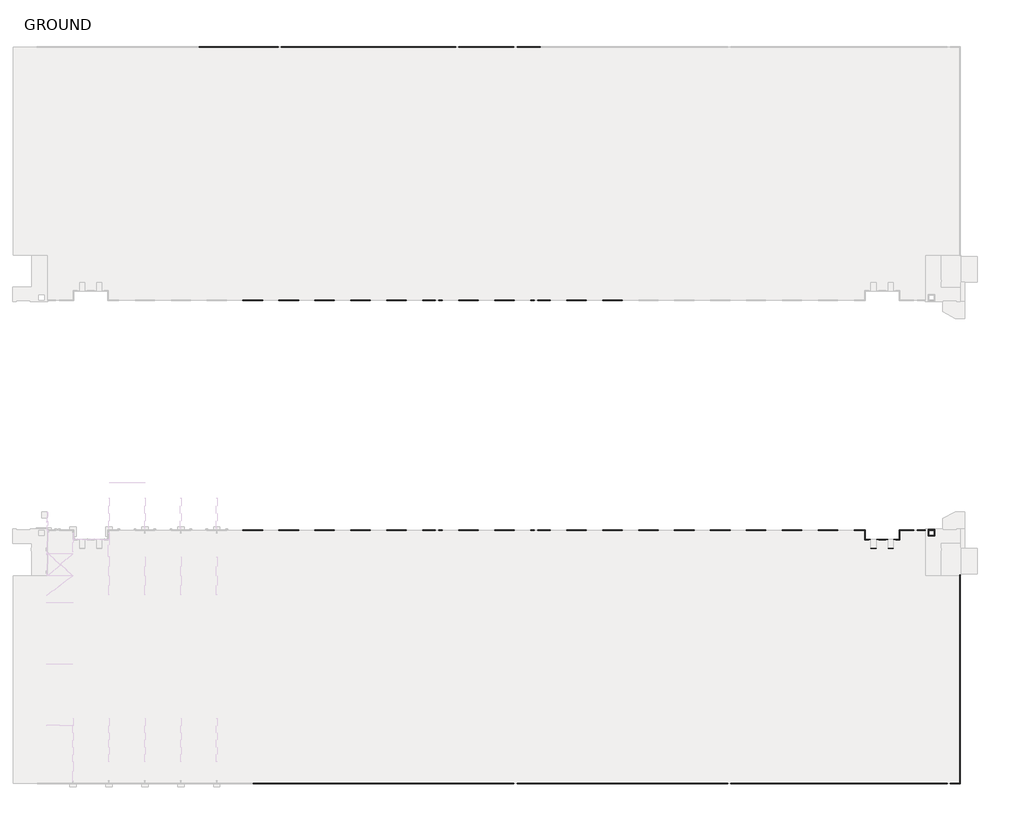
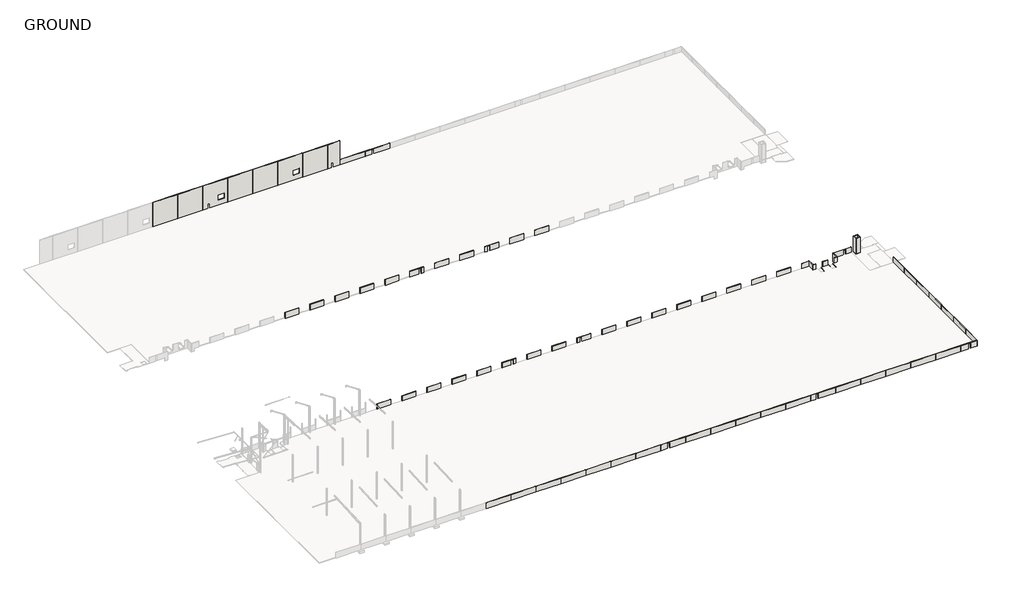
# One storey, part 2 of 56: 84 walls.
"""IFC4 building model written with IfcOpenShell, lengths in millimetres."""

from ifc_helpers import new_model, si_unit, frame, origin, place, context, project, spatial, polyline, outline, extrude, faceted_brep, element, save

model = new_model("IFC4")

# Units and contexts
model_context = context("Model", 3, world=origin())
ifc_project = project(units=[si_unit("LENGTHUNIT", "METRE", prefix="MILLI")], contexts=[model_context])

# Site, building, storey
site = spatial("IfcSite", under=ifc_project)
building = spatial("IfcBuilding", under=site)
storey = spatial("IfcBuildingStorey", under=building, Name="GROUND", Elevation=47100.0)

# Walls
placement = place(None, origin())
element("IfcWall", 1, at=placement, inside=storey, context=model_context, shape_type="Brep", body=[
    faceted_brep([(-50146.5907618, 88019.60101, 46500.0), (-50146.5907618, 85199.60101, 46500.0), (-50146.5907618, 85049.60101, 46500.0), (-50146.5907618, 85049.60101, 46900.0), (-50146.5907618, 85199.60101, 46900.0), (-50146.5907618, 87869.60101, 46900.0), (-50146.5907618, 88019.60101, 46900.0), (-49996.5907618, 88019.60101, 46500.0), (-49996.5907618, 88019.60101, 46900.0), (-49996.5907618, 87869.60101, 46900.0), (-49996.5907618, 85049.60101, 46900.0), (-49996.5907618, 85049.60101, 46500.0)], [[[0, 1, 2, 3, 4, 5, 6]], [[7, 8, 9, 10, 11]], [[0, 6, 8, 7]], [[3, 2, 11, 10]], [[6, 5, 9, 8]], [[5, 4, 3, 10, 9]], [[2, 1, 0, 7, 11]]]),
])
element("IfcWall", 2, at=placement, inside=storey, context=model_context, shape_type="Brep", body=[
    faceted_brep([(-50146.5907618, 85199.60101, 46500.0), (-52056.5907618, 85199.60101, 46500.0), (-52206.5907618, 85199.60101, 46500.0), (-52206.5907618, 85199.60101, 46900.0), (-52056.5907618, 85199.60101, 46900.0), (-50146.5907618, 85199.60101, 46900.0), (-50146.5907618, 85049.60101, 46500.0), (-50146.5907618, 85049.60101, 46900.0), (-52056.5907618, 85049.60101, 46900.0), (-52206.5907618, 85049.60101, 46900.0), (-52206.5907618, 85049.60101, 46500.0)], [[[0, 1, 2, 3, 4, 5]], [[6, 7, 8, 9, 10]], [[0, 5, 7, 6]], [[3, 2, 10, 9]], [[2, 1, 0, 6, 10]], [[5, 4, 8, 7]], [[4, 3, 9, 8]]]),
])
element("IfcWall", 3, at=placement, inside=storey, context=model_context, shape_type="SweptSolid", body=[
    extrude(outline(polyline([(85199.60101, 46500.0), (85199.60101, 46900.0), (87869.60101, 46900.0), (88019.60101, 46900.0), (88019.60101, 46500.0), (85199.60101, 46500.0)])), frame((-52206.5907618, 0.0, 0.0), z_axis=(1.0, 0.0, 0.0), x_axis=(0.0, 1.0, 0.0)), (0.0, 0.0, 1.0), 150.0),
])
element("IfcWall", 4, at=placement, inside=storey, context=model_context, shape_type="Brep", body=[
    faceted_brep([(-55496.5907618, 88019.60101, 46500.0), (-55496.5907618, 85199.60101, 46500.0), (-55496.5907618, 85049.60101, 46500.0), (-55496.5907618, 85049.60101, 46900.0), (-55496.5907618, 85199.60101, 46900.0), (-55496.5907618, 87869.60101, 46900.0), (-55496.5907618, 88019.60101, 46900.0), (-55346.5907618, 88019.60101, 46500.0), (-55346.5907618, 88019.60101, 46900.0), (-55346.5907618, 87869.60101, 46900.0), (-55346.5907618, 85049.60101, 46900.0), (-55346.5907618, 85049.60101, 46500.0)], [[[0, 1, 2, 3, 4, 5, 6]], [[7, 8, 9, 10, 11]], [[0, 6, 8, 7]], [[3, 2, 11, 10]], [[6, 5, 9, 8]], [[5, 4, 3, 10, 9]], [[2, 1, 0, 7, 11]]]),
])
element("IfcWall", 5, at=placement, inside=storey, context=model_context, shape_type="Brep", body=[
    faceted_brep([(-55496.5907618, 85199.60101, 46500.0), (-57406.5907618, 85199.60101, 46500.0), (-57556.5907618, 85199.60101, 46500.0), (-57556.5907618, 85199.60101, 46900.0), (-57406.5907618, 85199.60101, 46900.0), (-55496.5907618, 85199.60101, 46900.0), (-55496.5907618, 85049.60101, 46500.0), (-55496.5907618, 85049.60101, 46900.0), (-57406.5907618, 85049.60101, 46900.0), (-57556.5907618, 85049.60101, 46900.0), (-57556.5907618, 85049.60101, 46500.0)], [[[0, 1, 2, 3, 4, 5]], [[6, 7, 8, 9, 10]], [[0, 5, 7, 6]], [[3, 2, 10, 9]], [[2, 1, 0, 6, 10]], [[5, 4, 8, 7]], [[4, 3, 9, 8]]]),
])
element("IfcWall", 6, at=placement, inside=storey, context=model_context, shape_type="SweptSolid", body=[
    extrude(outline(polyline([(85199.60101, 46500.0), (85199.60101, 46900.0), (87869.60101, 46900.0), (88019.60101, 46900.0), (88019.60101, 46500.0), (85199.60101, 46500.0)])), frame((-57556.5907618, 0.0, 0.0), z_axis=(1.0, 0.0, 0.0), x_axis=(0.0, 1.0, 0.0)), (0.0, 0.0, 1.0), 150.0),
])
element("IfcWall", 7, at=placement, inside=storey, context=model_context, shape_type="Brep", body=[
    faceted_brep([(-39295.9863178, 91069.60101, 45600.0), (-39295.9863178, 89019.60101, 45600.0), (-39295.9863178, 89019.60101, 47100.0), (-39295.9863178, 91069.60101, 47100.0), (-39095.9863178, 91069.60101, 45600.0), (-39095.9863178, 91069.60101, 47100.0), (-39095.9863178, 90869.60101, 47100.0), (-39095.9863178, 89219.60101, 47100.0), (-39095.9863178, 89019.60101, 47100.0), (-39095.9863178, 89019.60101, 45600.0), (-39095.9863178, 89219.60101, 45600.0), (-39095.9863178, 90869.60101, 45600.0)], [[[0, 1, 2, 3]], [[4, 5, 6, 7, 8, 9, 10, 11]], [[3, 2, 8, 7, 6, 5]], [[2, 1, 9, 8]], [[0, 3, 5, 4]], [[1, 0, 4, 11, 10, 9]]]),
])
element("IfcWall", 8, at=placement, inside=storey, context=model_context, shape_type="Brep", body=[
    faceted_brep([(-39095.9863178, 89019.60101, 45600.0), (-37145.9863178, 89019.60101, 45600.0), (-37145.9863178, 89019.60101, 47100.0), (-39095.9863178, 89019.60101, 47100.0), (-39095.9863178, 89219.60101, 45600.0), (-39095.9863178, 89219.60101, 47100.0), (-37345.9863178, 89219.60101, 47100.0), (-37145.9863178, 89219.60101, 47100.0), (-37145.9863178, 89219.60101, 45600.0), (-37345.9863178, 89219.60101, 45600.0)], [[[0, 1, 2, 3]], [[4, 5, 6, 7, 8, 9]], [[3, 2, 7, 6, 5]], [[0, 3, 5, 4]], [[2, 1, 8, 7]], [[1, 0, 4, 9, 8]]]),
])
element("IfcWall", 9, at=placement, inside=storey, context=model_context, shape_type="Brep", body=[
    faceted_brep([(-37145.9863178, 89219.60101, 45600.0), (-37145.9863178, 91069.60101, 45600.0), (-37145.9863178, 91069.60101, 47100.0), (-37145.9863178, 89219.60101, 47100.0), (-37345.9863178, 89219.60101, 45600.0), (-37345.9863178, 89219.60101, 47100.0), (-37345.9863178, 90869.60101, 47100.0), (-37345.9863178, 91069.60101, 47100.0), (-37345.9863178, 91069.60101, 45600.0), (-37345.9863178, 90869.60101, 45600.0)], [[[0, 1, 2, 3]], [[4, 5, 6, 7, 8, 9]], [[3, 2, 7, 6, 5]], [[0, 3, 5, 4]], [[2, 1, 8, 7]], [[1, 0, 4, 9, 8]]]),
])
element("IfcWall", 10, at=placement, inside=storey, context=model_context, shape_type="SweptSolid", body=[
    extrude(outline(polyline([(-39095.9863178, 91069.60101), (-37345.9863178, 91069.60101), (-37345.9863178, 90869.60101), (-39095.9863178, 90869.60101), (-39095.9863178, 91069.60101)])), frame((0.0, 0.0, 45600.0), z_axis=(0.0, 0.0, 1.0), x_axis=(1.0, 0.0, 0.0)), (0.0, 0.0, 1.0), 1500.0),
])
element("IfcWall", 11, at=placement, inside=storey, context=model_context, shape_type="Brep", body=[
    faceted_brep([(-39295.9863178, 91069.60101, 47100.0), (-39295.9863178, 89019.60101, 47100.0), (-39295.9863178, 89019.60101, 54410.0), (-39295.9863178, 91069.60101, 54410.0), (-39095.9863178, 91069.60101, 47100.0), (-39095.9863178, 91069.60101, 54410.0), (-39095.9863178, 90869.60101, 54410.0), (-39095.9863178, 89219.60101, 54410.0), (-39095.9863178, 89019.60101, 54410.0), (-39095.9863178, 89019.60101, 47100.0), (-39095.9863178, 89219.60101, 47100.0), (-39095.9863178, 90869.60101, 47100.0)], [[[0, 1, 2, 3]], [[4, 5, 6, 7, 8, 9, 10, 11]], [[1, 0, 4, 11, 10, 9]], [[2, 1, 9, 8]], [[0, 3, 5, 4]], [[3, 2, 8, 7, 6, 5]]]),
])
element("IfcWall", 12, at=placement, inside=storey, context=model_context, shape_type="Brep", body=[
    faceted_brep([(-39095.9863178, 89019.60101, 47100.0), (-37145.9863178, 89019.60101, 47100.0), (-37145.9863178, 89019.60101, 54410.0), (-39095.9863178, 89019.60101, 54410.0), (-39095.9863178, 89219.60101, 47100.0), (-39095.9863178, 89219.60101, 54410.0), (-37345.9863178, 89219.60101, 54410.0), (-37145.9863178, 89219.60101, 54410.0), (-37145.9863178, 89219.60101, 47100.0), (-37345.9863178, 89219.60101, 47100.0)], [[[0, 1, 2, 3]], [[4, 5, 6, 7, 8, 9]], [[1, 0, 4, 9, 8]], [[2, 1, 8, 7]], [[0, 3, 5, 4]], [[3, 2, 7, 6, 5]]]),
])
element("IfcWall", 13, at=placement, inside=storey, context=model_context, shape_type="Brep", body=[
    faceted_brep([(-37145.9863178, 89219.60101, 47100.0), (-37145.9863178, 91069.60101, 47100.0), (-37145.9863178, 91069.60101, 50400.0), (-37145.9863178, 91069.60101, 50600.0), (-37145.9863178, 91069.60101, 54410.0), (-37145.9863178, 89219.60101, 54410.0), (-37345.9863178, 89219.60101, 47100.0), (-37345.9863178, 89219.60101, 54410.0), (-37345.9863178, 90869.60101, 54410.0), (-37345.9863178, 91069.60101, 54410.0), (-37345.9863178, 91069.60101, 47100.0), (-37345.9863178, 90869.60101, 47100.0)], [[[0, 1, 2, 3, 4, 5]], [[6, 7, 8, 9, 10, 11]], [[1, 0, 6, 11, 10]], [[4, 3, 2, 1, 10, 9]], [[0, 5, 7, 6]], [[5, 4, 9, 8, 7]]]),
])
element("IfcWall", 14, at=placement, inside=storey, context=model_context, shape_type="SweptSolid", body=[
    extrude(outline(polyline([(-39095.9863178, 91069.60101), (-37345.9863178, 91069.60101), (-37345.9863178, 90869.60101), (-39095.9863178, 90869.60101), (-39095.9863178, 91069.60101)])), frame((0.0, 0.0, 47100.0), z_axis=(0.0, 0.0, 1.0), x_axis=(1.0, 0.0, 0.0)), (0.0, 0.0, 1.0), 7310.0),
])
element("IfcWall", 15, ObjectType="PW1 - Precast 150", at=placement, inside=storey, context=model_context, shape_type="Brep", body=[
    faceted_brep([(-29336.5907618, 76754.60101, 46800.0), (-29336.5907618, 76679.60101, 46800.0), (-29336.5907618, 68120.0, 46800.0), (-29336.5907618, 68120.0, 49500.0), (-29336.5907618, 76754.60101, 49500.0), (-29336.5907618, 76754.60101, 47000.0), (-29186.5907618, 76754.60101, 46800.0), (-29186.5907618, 76754.60101, 47000.0), (-29186.5907618, 76754.60101, 49500.0), (-29186.5907618, 68120.0, 49500.0), (-29186.5907618, 68120.0, 46800.0), (-29186.5907618, 76679.60101, 46800.0), (-29325.9863178, 76754.60101, 46800.0)], [[[0, 1, 2, 3, 4, 5]], [[6, 7, 8, 9, 10, 11]], [[2, 1, 0, 12, 6, 11, 10]], [[3, 2, 10, 9]], [[4, 3, 9, 8]], [[0, 5, 4, 8, 7, 6, 12]]]),
])
element("IfcWall", 16, ObjectType="PW1 - Precast 150", at=placement, inside=storey, context=model_context, shape_type="Brep", body=[
    faceted_brep([(-59276.5907618, 90869.60101, 45550.0), (-59276.5907618, 87869.60101, 45550.0), (-59276.5907618, 87869.60101, 49500.0), (-59276.5907618, 90869.60101, 49500.0), (-59126.5907618, 90869.60101, 45550.0), (-59126.5907618, 90869.60101, 49500.0), (-59126.5907618, 88019.60101, 49500.0), (-59126.5907618, 87869.60101, 49500.0), (-59126.5907618, 87869.60101, 45550.0), (-59126.5907618, 88019.60101, 45550.0)], [[[0, 1, 2, 3]], [[4, 5, 6, 7, 8, 9]], [[1, 0, 4, 9, 8]], [[3, 2, 7, 6, 5]], [[2, 1, 8, 7]], [[0, 3, 5, 4]]]),
])
element("IfcWall", 17, ObjectType="PW1 - Precast 150", at=placement, inside=storey, context=model_context, shape_type="Brep", body=[
    faceted_brep([(-48276.5907618, 88019.60101, 45550.0), (-48276.5907618, 90869.60101, 45550.0), (-48276.5907618, 91019.60101, 45550.0), (-48276.5907618, 91019.60101, 49500.0), (-48276.5907618, 90869.60101, 49500.0), (-48276.5907618, 88019.60101, 49500.0), (-48426.5907618, 88019.60101, 45550.0), (-48426.5907618, 88019.60101, 49500.0), (-48426.5907618, 91019.60101, 49500.0), (-48426.5907618, 91019.60101, 45550.0)], [[[0, 1, 2, 3, 4, 5]], [[6, 7, 8, 9]], [[2, 1, 0, 6, 9]], [[5, 4, 3, 8, 7]], [[3, 2, 9, 8]], [[0, 5, 7, 6]]]),
])
element("IfcWall", 18, ObjectType="PW1 - Precast 150", at=placement, inside=storey, context=model_context, shape_type="SweptSolid", body=[
    extrude(outline(polyline([(-183726.2885398, 242920.0), (-172426.2885398, 242920.0), (-172426.2885398, 242770.0), (-183726.2885398, 242770.0), (-183726.2885398, 242920.0)])), frame((0.0, 0.0, 46800.0), z_axis=(0.0, 0.0, 1.0), x_axis=(1.0, 0.0, 0.0)), (0.0, 0.0, 1.0), 2700.0),
])
element("IfcWall", 19, ObjectType="PW1 - Precast 150", at=placement, inside=storey, context=model_context, shape_type="SweptSolid", body=[
    extrude(outline(polyline([(-251526.2885398, 11269.60101), (-240246.2885398, 11269.60101), (-240246.2885398, 11119.60101), (-251526.2885398, 11119.60101), (-251526.2885398, 11269.60101)])), frame((0.0, 0.0, 46800.0), z_axis=(0.0, 0.0, 1.0), x_axis=(1.0, 0.0, 0.0)), (0.0, 0.0, 1.0), 2700.0),
])
element("IfcWall", 20, ObjectType="PW1 - Precast 150", at=placement, inside=storey, context=model_context, shape_type="SweptSolid", body=[
    extrude(outline(polyline([(-240226.2885398, 11269.60101), (-228946.2885398, 11269.60101), (-228946.2885398, 11119.60101), (-240226.2885398, 11119.60101), (-240226.2885398, 11269.60101)])), frame((0.0, 0.0, 46800.0), z_axis=(0.0, 0.0, 1.0), x_axis=(1.0, 0.0, 0.0)), (0.0, 0.0, 1.0), 2700.0),
])
element("IfcWall", 21, ObjectType="PW1 - Precast 150", at=placement, inside=storey, context=model_context, shape_type="SweptSolid", body=[
    extrude(outline(polyline([(-228926.2885398, 11269.60101), (-217646.2885398, 11269.60101), (-217646.2885398, 11119.60101), (-228926.2885398, 11119.60101), (-228926.2885398, 11269.60101)])), frame((0.0, 0.0, 46800.0), z_axis=(0.0, 0.0, 1.0), x_axis=(1.0, 0.0, 0.0)), (0.0, 0.0, 1.0), 2700.0),
])
element("IfcWall", 22, ObjectType="PW1 - Precast 150", at=placement, inside=storey, context=model_context, shape_type="SweptSolid", body=[
    extrude(outline(polyline([(-217626.2885398, 11269.60101), (-206326.2885398, 11269.60101), (-206326.2885398, 11119.60101), (-217626.2885398, 11119.60101), (-217626.2885398, 11269.60101)])), frame((0.0, 0.0, 46800.0), z_axis=(0.0, 0.0, 1.0), x_axis=(1.0, 0.0, 0.0)), (0.0, 0.0, 1.0), 2700.0),
])
element("IfcWall", 23, ObjectType="PW1 - Precast 150", at=placement, inside=storey, context=model_context, shape_type="SweptSolid", body=[
    extrude(outline(polyline([(-195006.2885398, 11269.60101), (-183746.2885398, 11269.60101), (-183746.2885398, 11119.60101), (-195006.2885398, 11119.60101), (-195006.2885398, 11269.60101)])), frame((0.0, 0.0, 46800.0), z_axis=(0.0, 0.0, 1.0), x_axis=(1.0, 0.0, 0.0)), (0.0, 0.0, 1.0), 2700.0),
])
element("IfcWall", 24, ObjectType="PW1 - Precast 150", at=placement, inside=storey, context=model_context, shape_type="SweptSolid", body=[
    extrude(outline(polyline([(-183726.2885398, 11269.60101), (-172446.2885398, 11269.60101), (-172446.2885398, 11119.60101), (-183726.2885398, 11119.60101), (-183726.2885398, 11269.60101)])), frame((0.0, 0.0, 46800.0), z_axis=(0.0, 0.0, 1.0), x_axis=(1.0, 0.0, 0.0)), (0.0, 0.0, 1.0), 2700.0),
])
element("IfcWall", 25, ObjectType="PW1 - Precast 150", at=placement, inside=storey, context=model_context, shape_type="SweptSolid", body=[
    extrude(outline(polyline([(-161126.2885398, 11269.60101), (-149846.2885398, 11269.60101), (-149846.2885398, 11119.60101), (-161126.2885398, 11119.60101), (-161126.2885398, 11269.60101)])), frame((0.0, 0.0, 46800.0), z_axis=(0.0, 0.0, 1.0), x_axis=(1.0, 0.0, 0.0)), (0.0, 0.0, 1.0), 2700.0),
])
element("IfcWall", 26, ObjectType="PW1 - Precast 150", at=placement, inside=storey, context=model_context, shape_type="SweptSolid", body=[
    extrude(outline(polyline([(-149826.2885398, 11269.60101), (-138546.2885398, 11269.60101), (-138546.2885398, 11119.60101), (-149826.2885398, 11119.60101), (-149826.2885398, 11269.60101)])), frame((0.0, 0.0, 46800.0), z_axis=(0.0, 0.0, 1.0), x_axis=(1.0, 0.0, 0.0)), (0.0, 0.0, 1.0), 2700.0),
])
element("IfcWall", 27, ObjectType="PW1 - Precast 150", at=placement, inside=storey, context=model_context, shape_type="SweptSolid", body=[
    extrude(outline(polyline([(-138526.2885398, 11269.60101), (-127246.2885398, 11269.60101), (-127246.2885398, 11119.60101), (-138526.2885398, 11119.60101), (-138526.2885398, 11269.60101)])), frame((0.0, 0.0, 46800.0), z_axis=(0.0, 0.0, 1.0), x_axis=(1.0, 0.0, 0.0)), (0.0, 0.0, 1.0), 2700.0),
])
element("IfcWall", 28, ObjectType="PW1 - Precast 150", at=placement, inside=storey, context=model_context, shape_type="SweptSolid", body=[
    extrude(outline(polyline([(-127226.2885398, 11269.60101), (-115946.2885398, 11269.60101), (-115946.2885398, 11119.60101), (-127226.2885398, 11119.60101), (-127226.2885398, 11269.60101)])), frame((0.0, 0.0, 46800.0), z_axis=(0.0, 0.0, 1.0), x_axis=(1.0, 0.0, 0.0)), (0.0, 0.0, 1.0), 2700.0),
])
element("IfcWall", 29, ObjectType="PW1 - Precast 150", at=placement, inside=storey, context=model_context, shape_type="SweptSolid", body=[
    extrude(outline(polyline([(-115926.2885398, 11269.60101), (-104646.2885398, 11269.60101), (-104646.2885398, 11119.60101), (-115926.2885398, 11119.60101), (-115926.2885398, 11269.60101)])), frame((0.0, 0.0, 46800.0), z_axis=(0.0, 0.0, 1.0), x_axis=(1.0, 0.0, 0.0)), (0.0, 0.0, 1.0), 2700.0),
])
element("IfcWall", 30, ObjectType="PW1 - Precast 150", at=placement, inside=storey, context=model_context, shape_type="SweptSolid", body=[
    extrude(outline(polyline([(-93326.2885398, 11269.60101), (-82046.2885398, 11269.60101), (-82046.2885398, 11119.60101), (-93326.2885398, 11119.60101), (-93326.2885398, 11269.60101)])), frame((0.0, 0.0, 46800.0), z_axis=(0.0, 0.0, 1.0), x_axis=(1.0, 0.0, 0.0)), (0.0, 0.0, 1.0), 2700.0),
])
element("IfcWall", 31, ObjectType="PW1 - Precast 150", at=placement, inside=storey, context=model_context, shape_type="SweptSolid", body=[
    extrude(outline(polyline([(-82026.2885398, 11269.60101), (-70746.2885398, 11269.60101), (-70746.2885398, 11119.60101), (-82026.2885398, 11119.60101), (-82026.2885398, 11269.60101)])), frame((0.0, 0.0, 46800.0), z_axis=(0.0, 0.0, 1.0), x_axis=(1.0, 0.0, 0.0)), (0.0, 0.0, 1.0), 2700.0),
])
element("IfcWall", 32, ObjectType="PW1 - Precast 150", at=placement, inside=storey, context=model_context, shape_type="SweptSolid", body=[
    extrude(outline(polyline([(-70726.2885398, 11269.60101), (-59446.2885398, 11269.60101), (-59446.2885398, 11119.60101), (-70726.2885398, 11119.60101), (-70726.2885398, 11269.60101)])), frame((0.0, 0.0, 46800.0), z_axis=(0.0, 0.0, 1.0), x_axis=(1.0, 0.0, 0.0)), (0.0, 0.0, 1.0), 2700.0),
])
element("IfcWall", 33, ObjectType="PW1 - Precast 150", at=placement, inside=storey, context=model_context, shape_type="SweptSolid", body=[
    extrude(outline(polyline([(-59426.2885398, 11269.60101), (-48146.2885398, 11269.60101), (-48146.2885398, 11119.60101), (-59426.2885398, 11119.60101), (-59426.2885398, 11269.60101)])), frame((0.0, 0.0, 46800.0), z_axis=(0.0, 0.0, 1.0), x_axis=(1.0, 0.0, 0.0)), (0.0, 0.0, 1.0), 2700.0),
])
element("IfcWall", 34, ObjectType="PW1 - Precast 150", at=placement, inside=storey, context=model_context, shape_type="SweptSolid", body=[
    extrude(outline(polyline([(-48126.2885398, 11269.60101), (-36826.2885398, 11269.60101), (-36826.2885398, 11119.60101), (-48126.2885398, 11119.60101), (-48126.2885398, 11269.60101)])), frame((0.0, 0.0, 46800.0), z_axis=(0.0, 0.0, 1.0), x_axis=(1.0, 0.0, 0.0)), (0.0, 0.0, 1.0), 2700.0),
])
element("IfcWall", 35, ObjectType="PW1 - Precast 150", at=placement, inside=storey, context=model_context, shape_type="SweptSolid", body=[
    extrude(outline(polyline([(-206306.2885398, 11269.60101), (-195026.2885398, 11269.60101), (-195026.2885398, 11119.60101), (-206306.2885398, 11119.60101), (-206306.2885398, 11269.60101)])), frame((0.0, 0.0, 46800.0), z_axis=(0.0, 0.0, 1.0), x_axis=(1.0, 0.0, 0.0)), (0.0, 0.0, 1.0), 2700.0),
])
element("IfcWall", 36, ObjectType="PW1 - Precast 150", at=placement, inside=storey, context=model_context, shape_type="Brep", body=[
    faceted_brep([(-29336.5907618, 19830.0, 46800.0), (-29336.5907618, 11269.60101, 46800.0), (-29336.5907618, 11119.60101, 46800.0), (-29336.5907618, 11119.60101, 49500.0), (-29336.5907618, 11269.60101, 49500.0), (-29336.5907618, 19830.0, 49500.0), (-29186.5907618, 19830.0, 46800.0), (-29186.5907618, 19830.0, 49500.0), (-29186.5907618, 11119.60101, 49500.0), (-29186.5907618, 11119.60101, 46800.0)], [[[0, 1, 2, 3, 4, 5]], [[6, 7, 8, 9]], [[2, 1, 0, 6, 9]], [[5, 4, 3, 8, 7]], [[0, 5, 7, 6]], [[3, 2, 9, 8]]]),
])
element("IfcWall", 37, ObjectType="PW1 - Precast 150", at=placement, inside=storey, context=model_context, shape_type="SweptSolid", body=[
    extrude(outline(polyline([(-29336.5907618, 19850.0), (-29336.5907618, 29480.0), (-29186.5907618, 29480.0), (-29186.5907618, 19850.0), (-29336.5907618, 19850.0)])), frame((0.0, 0.0, 46800.0), z_axis=(0.0, 0.0, 1.0), x_axis=(1.0, 0.0, 0.0)), (0.0, 0.0, 1.0), 2700.0),
])
element("IfcWall", 38, ObjectType="PW1 - Precast 150", at=placement, inside=storey, context=model_context, shape_type="SweptSolid", body=[
    extrude(outline(polyline([(-29336.5907618, 29500.0), (-29336.5907618, 39130.0), (-29186.5907618, 39130.0), (-29186.5907618, 29500.0), (-29336.5907618, 29500.0)])), frame((0.0, 0.0, 46800.0), z_axis=(0.0, 0.0, 1.0), x_axis=(1.0, 0.0, 0.0)), (0.0, 0.0, 1.0), 2700.0),
])
element("IfcWall", 39, ObjectType="PW1 - Precast 150", at=placement, inside=storey, context=model_context, shape_type="SweptSolid", body=[
    extrude(outline(polyline([(-29336.5907618, 39150.0), (-29336.5907618, 48780.0), (-29186.5907618, 48780.0), (-29186.5907618, 39150.0), (-29336.5907618, 39150.0)])), frame((0.0, 0.0, 46800.0), z_axis=(0.0, 0.0, 1.0), x_axis=(1.0, 0.0, 0.0)), (0.0, 0.0, 1.0), 2700.0),
])
element("IfcWall", 40, ObjectType="PW1 - Precast 150", at=placement, inside=storey, context=model_context, shape_type="SweptSolid", body=[
    extrude(outline(polyline([(-29336.5907618, 48800.0), (-29336.5907618, 58430.0), (-29186.5907618, 58430.0), (-29186.5907618, 48800.0), (-29336.5907618, 48800.0)])), frame((0.0, 0.0, 46800.0), z_axis=(0.0, 0.0, 1.0), x_axis=(1.0, 0.0, 0.0)), (0.0, 0.0, 1.0), 2700.0),
])
element("IfcWall", 41, ObjectType="PW1 - Precast 150", at=placement, inside=storey, context=model_context, shape_type="SweptSolid", body=[
    extrude(outline(polyline([(-29336.5907618, 58450.0), (-29336.5907618, 68100.0), (-29186.5907618, 68100.0), (-29186.5907618, 58450.0), (-29336.5907618, 58450.0)])), frame((0.0, 0.0, 46800.0), z_axis=(0.0, 0.0, 1.0), x_axis=(1.0, 0.0, 0.0)), (0.0, 0.0, 1.0), 2700.0),
])
element("IfcWall", 42, ObjectType="PW11 - Precast 180", at=placement, inside=storey, context=model_context, shape_type="SweptSolid", body=[
    extrude(outline(polyline([(-268466.2885398, 242950.0), (-257186.2885398, 242950.0), (-257186.2885398, 242770.0), (-268466.2885398, 242770.0), (-268466.2885398, 242950.0)])), frame((0.0, 0.0, 46800.0), z_axis=(0.0, 0.0, 1.0), x_axis=(1.0, 0.0, 0.0)), (0.0, 0.0, 1.0), 11787.494903),
])
element("IfcWall", 43, ObjectType="PW11 - Precast 180", at=placement, inside=storey, context=model_context, shape_type="SweptSolid", body=[
    extrude(outline(polyline([(-257166.2885398, 242950.0), (-245886.2885398, 242950.0), (-245886.2885398, 242770.0), (-257166.2885398, 242770.0), (-257166.2885398, 242950.0)])), frame((0.0, 0.0, 46800.0), z_axis=(0.0, 0.0, 1.0), x_axis=(1.0, 0.0, 0.0)), (0.0, 0.0, 1.0), 11787.494903),
])
element("IfcWall", 44, ObjectType="PW11 - Precast 180", at=placement, inside=storey, context=model_context, shape_type="SweptSolid", body=[
    extrude(outline(polyline([(-234566.2885398, 242950.0), (-223286.2885398, 242950.0), (-223286.2885398, 242770.0), (-234566.2885398, 242770.0), (-234566.2885398, 242950.0)])), frame((0.0, 0.0, 46800.0), z_axis=(0.0, 0.0, 1.0), x_axis=(1.0, 0.0, 0.0)), (0.0, 0.0, 1.0), 11787.494903),
])
element("IfcWall", 45, ObjectType="PW11 - Precast 180", at=placement, inside=storey, context=model_context, shape_type="SweptSolid", body=[
    extrude(outline(polyline([(-223266.2885398, 242950.0), (-211986.2885398, 242950.0), (-211986.2885398, 242770.0), (-223266.2885398, 242770.0), (-223266.2885398, 242950.0)])), frame((0.0, 0.0, 46800.0), z_axis=(0.0, 0.0, 1.0), x_axis=(1.0, 0.0, 0.0)), (0.0, 0.0, 1.0), 11787.494903),
])
element("IfcWall", 46, ObjectType="PW11 - Precast 180", at=placement, inside=storey, context=model_context, shape_type="SweptSolid", body=[
    extrude(outline(polyline([(-200666.2885398, 242950.0), (-189386.2885398, 242950.0), (-189386.2885398, 242770.0), (-200666.2885398, 242770.0), (-200666.2885398, 242950.0)])), frame((0.0, 0.0, 46800.0), z_axis=(0.0, 0.0, 1.0), x_axis=(1.0, 0.0, 0.0)), (0.0, 0.0, 1.0), 11787.494903),
])
element("IfcWall", 47, ObjectType="PW12 - Precast 180", at=placement, inside=storey, context=model_context, shape_type="Brep", body=[
    faceted_brep([(-183726.2885398, 242950.0, 46800.0), (-186716.5907618, 242950.0, 46800.0), (-186716.5907618, 242950.0, 49210.0), (-187736.5907618, 242950.0, 49210.0), (-187736.5907618, 242950.0, 46800.0), (-189366.2885398, 242950.0, 46800.0), (-189366.2885398, 242950.0, 58587.494903), (-183726.2885398, 242950.0, 58587.494903), (-183726.2885398, 242770.0, 46800.0), (-183726.2885398, 242770.0, 49500.0), (-183726.2885398, 242770.0, 58587.494903), (-189366.2885398, 242770.0, 58587.494903), (-189366.2885398, 242770.0, 46800.0), (-187736.5907618, 242770.0, 46800.0), (-187736.5907618, 242770.0, 49210.0), (-186716.5907618, 242770.0, 49210.0), (-186716.5907618, 242770.0, 46800.0), (-183726.2885398, 242920.0, 46800.0)], [[[0, 1, 2, 3, 4, 5, 6, 7]], [[8, 9, 10, 11, 12, 13, 14, 15, 16]], [[1, 0, 17, 8, 16]], [[2, 1, 16, 15]], [[3, 2, 15, 14]], [[4, 3, 14, 13]], [[5, 4, 13, 12]], [[6, 5, 12, 11]], [[7, 6, 11, 10]], [[0, 7, 10, 9, 8, 17]]]),
])
element("IfcWall", 48, ObjectType="PW12 - Precast 180", at=placement, inside=storey, context=model_context, shape_type="SweptSolid", body=[
    extrude(outline(polyline([(49210.0, -242566.5907618), (46800.0, -242566.5907618), (46800.0, -234586.2885398), (58587.494903, -234586.2885398), (58587.494903, -245866.2885398), (46800.0, -245866.2885398), (46800.0, -243586.5907618), (49210.0, -243586.5907618), (49210.0, -242566.5907618)]), holes=[polyline([(51800.0, -238751.5907618), (51800.0, -236051.5907618), (49499.9098461, -236051.5907618), (49499.9098461, -238751.5907618), (51800.0, -238751.5907618)])]), frame((0.0, 242770.0, 0.0), z_axis=(0.0, 1.0, 0.0), x_axis=(0.0, 0.0, 1.0)), (0.0, 0.0, 1.0), 180.0),
])
element("IfcWall", 49, ObjectType="PW13 - Precast 180", at=placement, inside=storey, context=model_context, shape_type="SweptSolid", body=[
    extrude(outline(polyline([(58587.494903, -200686.2885398), (58587.494903, -211966.2885398), (46800.0, -211966.2885398), (46800.0, -200686.2885398), (58587.494903, -200686.2885398)]), holes=[polyline([(51800.0, -204851.5907618), (51800.0, -202151.5907618), (49499.9098461, -202151.5907618), (49499.9098461, -204851.5907618), (51800.0, -204851.5907618)])]), frame((0.0, 242770.0, 0.0), z_axis=(0.0, 1.0, 0.0), x_axis=(0.0, 0.0, 1.0)), (0.0, 0.0, 1.0), 180.0),
])
element("IfcWall", 50, ObjectType="PW2 - Precast 150", at=placement, inside=storey, context=model_context, shape_type="SweptSolid", body=[
    extrude(outline(polyline([(46800.0, -29336.5907618), (49500.0, -29336.5907618), (49500.0, -36806.2885398), (46800.0, -36806.2885398), (46800.0, -33346.5907618), (49210.0, -33346.5907618), (49210.0, -32326.5907618), (46800.0, -32326.5907618), (46800.0, -29336.5907618)])), frame((0.0, 11119.60101, 0.0), z_axis=(0.0, 1.0, 0.0), x_axis=(0.0, 0.0, 1.0)), (0.0, 0.0, 1.0), 150.0),
])
element("IfcWall", 51, ObjectType="PW2 - Precast 150", at=placement, inside=storey, context=model_context, shape_type="SweptSolid", body=[
    extrude(outline(polyline([(49210.0, -168416.5907618), (46800.0, -168416.5907618), (46800.0, -161126.2885398), (49500.0, -161126.2885398), (49500.0, -172406.2885398), (46800.0, -172406.2885398), (46800.0, -169436.5907618), (49210.0, -169436.5907618), (49210.0, -168416.5907618)])), frame((0.0, 242770.0, 0.0), z_axis=(0.0, 1.0, 0.0), x_axis=(0.0, 0.0, 1.0)), (0.0, 0.0, 1.0), 150.0),
])
element("IfcWall", 52, ObjectType="PW2 - Precast 150", at=placement, inside=storey, context=model_context, shape_type="SweptSolid", body=[
    extrude(outline(polyline([(49210.0, -168416.5907618), (46800.0, -168416.5907618), (46800.0, -161146.2885398), (49500.0, -161146.2885398), (49500.0, -172426.2885398), (46800.0, -172426.2885398), (46800.0, -169436.5907618), (49210.0, -169436.5907618), (49210.0, -168416.5907618)])), frame((0.0, 11119.60101, 0.0), z_axis=(0.0, 1.0, 0.0), x_axis=(0.0, 0.0, 1.0)), (0.0, 0.0, 1.0), 150.0),
])
element("IfcWall", 53, ObjectType="PW2 - Precast 150", at=placement, inside=storey, context=model_context, shape_type="SweptSolid", body=[
    extrude(outline(polyline([(49210.0, -101266.5907618), (46800.0, -101266.5907618), (46800.0, -93346.2885398), (49500.0, -93346.2885398), (49500.0, -104626.2885398), (46800.0, -104626.2885398), (46800.0, -102286.5907618), (49210.0, -102286.5907618), (49210.0, -101266.5907618)])), frame((0.0, 11119.60101, 0.0), z_axis=(0.0, 1.0, 0.0), x_axis=(0.0, 0.0, 1.0)), (0.0, 0.0, 1.0), 150.0),
])
element("IfcWall", 54, ObjectType="PW3 - Precast 150", at=placement, inside=storey, context=model_context, shape_type="SweptSolid", body=[
    extrude(outline(polyline([(-248445.590781, 163020.0), (-254607.5907618, 163020.0), (-254607.5907618, 163170.0), (-248445.590781, 163170.0), (-248445.590781, 163020.0)])), frame((0.0, 0.0, 46800.0), z_axis=(0.0, 0.0, 1.0), x_axis=(1.0, 0.0, 0.0)), (0.0, 0.0, 1.0), 2700.0),
])
element("IfcWall", 55, ObjectType="PW3 - Precast 150", at=placement, inside=storey, context=model_context, shape_type="SweptSolid", body=[
    extrude(outline(polyline([(-237145.5907618, 163020.0), (-243307.5907185, 163020.0), (-243307.5907185, 163170.0), (-237145.5907618, 163170.0), (-237145.5907618, 163020.0)])), frame((0.0, 0.0, 46800.0), z_axis=(0.0, 0.0, 1.0), x_axis=(1.0, 0.0, 0.0)), (0.0, 0.0, 1.0), 2700.0),
])
element("IfcWall", 56, ObjectType="PW3 - Precast 150", at=placement, inside=storey, context=model_context, shape_type="SweptSolid", body=[
    extrude(outline(polyline([(-225845.5907617, 163020.0), (-232007.5907615, 163020.0), (-232007.5907615, 163170.0), (-225845.5907617, 163170.0), (-225845.5907617, 163020.0)])), frame((0.0, 0.0, 46800.0), z_axis=(0.0, 0.0, 1.0), x_axis=(1.0, 0.0, 0.0)), (0.0, 0.0, 1.0), 2700.0),
])
element("IfcWall", 57, ObjectType="PW3 - Precast 150", at=placement, inside=storey, context=model_context, shape_type="SweptSolid", body=[
    extrude(outline(polyline([(-214545.5907618, 163020.0), (-220707.5906584, 163020.0), (-220707.5906584, 163170.0), (-214545.5907618, 163170.0), (-214545.5907618, 163020.0)])), frame((0.0, 0.0, 46800.0), z_axis=(0.0, 0.0, 1.0), x_axis=(1.0, 0.0, 0.0)), (0.0, 0.0, 1.0), 2700.0),
])
element("IfcWall", 58, ObjectType="PW3 - Precast 150", at=placement, inside=storey, context=model_context, shape_type="SweptSolid", body=[
    extrude(outline(polyline([(-203245.5907811, 163020.0), (-209407.5907618, 163020.0), (-209407.5907618, 163170.0), (-203245.5907811, 163170.0), (-203245.5907811, 163020.0)])), frame((0.0, 0.0, 46800.0), z_axis=(0.0, 0.0, 1.0), x_axis=(1.0, 0.0, 0.0)), (0.0, 0.0, 1.0), 2700.0),
])
element("IfcWall", 59, ObjectType="PW3 - Precast 150", at=placement, inside=storey, context=model_context, shape_type="SweptSolid", body=[
    extrude(outline(polyline([(-180645.5907821, 163020.0), (-186807.590762, 163020.0), (-186807.590762, 163170.0), (-180645.5907821, 163170.0), (-180645.5907821, 163020.0)])), frame((0.0, 0.0, 46800.0), z_axis=(0.0, 0.0, 1.0), x_axis=(1.0, 0.0, 0.0)), (0.0, 0.0, 1.0), 2700.0),
])
element("IfcWall", 60, ObjectType="PW3 - Precast 150", at=placement, inside=storey, context=model_context, shape_type="SweptSolid", body=[
    extrude(outline(polyline([(-169345.5907809, 163020.0), (-175507.5907615, 163020.0), (-175507.5907615, 163170.0), (-169345.5907809, 163170.0), (-169345.5907809, 163020.0)])), frame((0.0, 0.0, 46800.0), z_axis=(0.0, 0.0, 1.0), x_axis=(1.0, 0.0, 0.0)), (0.0, 0.0, 1.0), 2700.0),
])
element("IfcWall", 61, ObjectType="PW3 - Precast 150", at=placement, inside=storey, context=model_context, shape_type="SweptSolid", body=[
    extrude(outline(polyline([(-146745.5907808, 163020.0), (-152907.5907618, 163020.0), (-152907.5907618, 163170.0), (-146745.5907808, 163170.0), (-146745.5907808, 163020.0)])), frame((0.0, 0.0, 46800.0), z_axis=(0.0, 0.0, 1.0), x_axis=(1.0, 0.0, 0.0)), (0.0, 0.0, 1.0), 2700.0),
])
element("IfcWall", 62, ObjectType="PW3 - Precast 150", at=placement, inside=storey, context=model_context, shape_type="SweptSolid", body=[
    extrude(outline(polyline([(-135445.5907815, 163020.0), (-141607.5907227, 163020.0), (-141607.5907227, 163170.0), (-135445.5907815, 163170.0), (-135445.5907815, 163020.0)])), frame((0.0, 0.0, 46800.0), z_axis=(0.0, 0.0, 1.0), x_axis=(1.0, 0.0, 0.0)), (0.0, 0.0, 1.0), 2700.0),
])
element("IfcWall", 63, ObjectType="PW3 - Precast 150", at=placement, inside=storey, context=model_context, shape_type="SweptSolid", body=[
    extrude(outline(polyline([(-248445.590781, 90869.60101), (-254607.5907618, 90869.60101), (-254607.5907618, 91019.60101), (-248445.590781, 91019.60101), (-248445.590781, 90869.60101)])), frame((0.0, 0.0, 46800.0), z_axis=(0.0, 0.0, 1.0), x_axis=(1.0, 0.0, 0.0)), (0.0, 0.0, 1.0), 2700.0),
])
element("IfcWall", 64, ObjectType="PW3 - Precast 150", at=placement, inside=storey, context=model_context, shape_type="SweptSolid", body=[
    extrude(outline(polyline([(-237145.5907618, 90869.60101), (-243307.5907185, 90869.60101), (-243307.5907185, 91019.60101), (-237145.5907618, 91019.60101), (-237145.5907618, 90869.60101)])), frame((0.0, 0.0, 46800.0), z_axis=(0.0, 0.0, 1.0), x_axis=(1.0, 0.0, 0.0)), (0.0, 0.0, 1.0), 2700.0),
])
element("IfcWall", 65, ObjectType="PW3 - Precast 150", at=placement, inside=storey, context=model_context, shape_type="SweptSolid", body=[
    extrude(outline(polyline([(-225845.5907617, 90869.60101), (-232007.5907615, 90869.60101), (-232007.5907615, 91019.60101), (-225845.5907617, 91019.60101), (-225845.5907617, 90869.60101)])), frame((0.0, 0.0, 46800.0), z_axis=(0.0, 0.0, 1.0), x_axis=(1.0, 0.0, 0.0)), (0.0, 0.0, 1.0), 2700.0),
])
element("IfcWall", 66, ObjectType="PW3 - Precast 150", at=placement, inside=storey, context=model_context, shape_type="SweptSolid", body=[
    extrude(outline(polyline([(-214545.5907618, 90869.60101), (-220707.5906584, 90869.60101), (-220707.5906584, 91019.60101), (-214545.5907618, 91019.60101), (-214545.5907618, 90869.60101)])), frame((0.0, 0.0, 46800.0), z_axis=(0.0, 0.0, 1.0), x_axis=(1.0, 0.0, 0.0)), (0.0, 0.0, 1.0), 2700.0),
])
element("IfcWall", 67, ObjectType="PW3 - Precast 150", at=placement, inside=storey, context=model_context, shape_type="SweptSolid", body=[
    extrude(outline(polyline([(-203245.5907811, 90869.60101), (-209407.5907618, 90869.60101), (-209407.5907618, 91019.60101), (-203245.5907811, 91019.60101), (-203245.5907811, 90869.60101)])), frame((0.0, 0.0, 46800.0), z_axis=(0.0, 0.0, 1.0), x_axis=(1.0, 0.0, 0.0)), (0.0, 0.0, 1.0), 2700.0),
])
element("IfcWall", 68, ObjectType="PW3 - Precast 150", at=placement, inside=storey, context=model_context, shape_type="SweptSolid", body=[
    extrude(outline(polyline([(-180645.5907821, 90869.60101), (-186807.590762, 90869.60101), (-186807.590762, 91019.60101), (-180645.5907821, 91019.60101), (-180645.5907821, 90869.60101)])), frame((0.0, 0.0, 46800.0), z_axis=(0.0, 0.0, 1.0), x_axis=(1.0, 0.0, 0.0)), (0.0, 0.0, 1.0), 2700.0),
])
element("IfcWall", 69, ObjectType="PW3 - Precast 150", at=placement, inside=storey, context=model_context, shape_type="SweptSolid", body=[
    extrude(outline(polyline([(-169345.5907809, 90869.60101), (-175507.5907615, 90869.60101), (-175507.5907615, 91019.60101), (-169345.5907809, 91019.60101), (-169345.5907809, 90869.60101)])), frame((0.0, 0.0, 46800.0), z_axis=(0.0, 0.0, 1.0), x_axis=(1.0, 0.0, 0.0)), (0.0, 0.0, 1.0), 2700.0),
])
element("IfcWall", 70, ObjectType="PW3 - Precast 150", at=placement, inside=storey, context=model_context, shape_type="SweptSolid", body=[
    extrude(outline(polyline([(-146745.5907808, 90869.60101), (-152907.5907618, 90869.60101), (-152907.5907618, 91019.60101), (-146745.5907808, 91019.60101), (-146745.5907808, 90869.60101)])), frame((0.0, 0.0, 46800.0), z_axis=(0.0, 0.0, 1.0), x_axis=(1.0, 0.0, 0.0)), (0.0, 0.0, 1.0), 2700.0),
])
element("IfcWall", 71, ObjectType="PW3 - Precast 150", at=placement, inside=storey, context=model_context, shape_type="SweptSolid", body=[
    extrude(outline(polyline([(-135445.5907815, 90869.60101), (-141607.5907227, 90869.60101), (-141607.5907227, 91019.60101), (-135445.5907815, 91019.60101), (-135445.5907815, 90869.60101)])), frame((0.0, 0.0, 46800.0), z_axis=(0.0, 0.0, 1.0), x_axis=(1.0, 0.0, 0.0)), (0.0, 0.0, 1.0), 2700.0),
])
element("IfcWall", 72, ObjectType="PW3 - Precast 150", at=placement, inside=storey, context=model_context, shape_type="SweptSolid", body=[
    extrude(outline(polyline([(-124145.5907815, 90869.60101), (-130307.5907621, 90869.60101), (-130307.5907621, 91019.60101), (-124145.5907815, 91019.60101), (-124145.5907815, 90869.60101)])), frame((0.0, 0.0, 46800.0), z_axis=(0.0, 0.0, 1.0), x_axis=(1.0, 0.0, 0.0)), (0.0, 0.0, 1.0), 2700.0),
])
element("IfcWall", 73, ObjectType="PW3 - Precast 150", at=placement, inside=storey, context=model_context, shape_type="SweptSolid", body=[
    extrude(outline(polyline([(-112845.5907815, 90869.60101), (-119007.5907621, 90869.60101), (-119007.5907621, 91019.60101), (-112845.5907815, 91019.60101), (-112845.5907815, 90869.60101)])), frame((0.0, 0.0, 46800.0), z_axis=(0.0, 0.0, 1.0), x_axis=(1.0, 0.0, 0.0)), (0.0, 0.0, 1.0), 2700.0),
])
element("IfcWall", 74, ObjectType="PW3 - Precast 150", at=placement, inside=storey, context=model_context, shape_type="SweptSolid", body=[
    extrude(outline(polyline([(-101545.5907812, 90869.60101), (-107707.5907621, 90869.60101), (-107707.5907621, 91019.60101), (-101545.5907812, 91019.60101), (-101545.5907812, 90869.60101)])), frame((0.0, 0.0, 46800.0), z_axis=(0.0, 0.0, 1.0), x_axis=(1.0, 0.0, 0.0)), (0.0, 0.0, 1.0), 2700.0),
])
element("IfcWall", 75, ObjectType="PW3 - Precast 150", at=placement, inside=storey, context=model_context, shape_type="SweptSolid", body=[
    extrude(outline(polyline([(-90245.5907808, 90869.60101), (-96407.5906984, 90869.60101), (-96407.5906984, 91019.60101), (-90245.5907808, 91019.60101), (-90245.5907808, 90869.60101)])), frame((0.0, 0.0, 46800.0), z_axis=(0.0, 0.0, 1.0), x_axis=(1.0, 0.0, 0.0)), (0.0, 0.0, 1.0), 2700.0),
])
element("IfcWall", 76, ObjectType="PW3 - Precast 150", at=placement, inside=storey, context=model_context, shape_type="SweptSolid", body=[
    extrude(outline(polyline([(-78945.5908561, 90869.60101), (-85107.5907608, 90869.60101), (-85107.5907608, 91019.60101), (-78945.5908561, 91019.60101), (-78945.5908561, 90869.60101)])), frame((0.0, 0.0, 46800.0), z_axis=(0.0, 0.0, 1.0), x_axis=(1.0, 0.0, 0.0)), (0.0, 0.0, 1.0), 2700.0),
])
element("IfcWall", 77, ObjectType="PW3 - Precast 150", at=placement, inside=storey, context=model_context, shape_type="SweptSolid", body=[
    extrude(outline(polyline([(-67645.5907813, 90869.60101), (-73807.5907495, 90869.60101), (-73807.5907495, 91019.60101), (-67645.5907813, 91019.60101), (-67645.5907813, 90869.60101)])), frame((0.0, 0.0, 46800.0), z_axis=(0.0, 0.0, 1.0), x_axis=(1.0, 0.0, 0.0)), (0.0, 0.0, 1.0), 2700.0),
])
element("IfcWall", 78, ObjectType="PW4 - Precast 150", at=placement, inside=storey, context=model_context, shape_type="SweptSolid", body=[
    extrude(outline(polyline([(46800.0, -198107.5907377), (46800.0, -194111.5907618), (49210.0, -194111.5907618), (49210.0, -193091.5907618), (46800.0, -193091.5907618), (46800.0, -191945.5907816), (49500.0, -191945.5907816), (49500.0, -198107.5907377), (46800.0, -198107.5907377)])), frame((0.0, 163020.0, 0.0), z_axis=(0.0, 1.0, 0.0), x_axis=(0.0, 0.0, 1.0)), (0.0, 0.0, 1.0), 150.0),
])
element("IfcWall", 79, ObjectType="PW4 - Precast 150", at=placement, inside=storey, context=model_context, shape_type="SweptSolid", body=[
    extrude(outline(polyline([(46800.0, -163061.5907618), (49210.0, -163061.5907618), (49210.0, -162041.5907618), (46800.0, -162041.5907618), (46800.0, -158045.5907618), (49500.0, -158045.5907618), (49500.0, -164207.5907486), (46800.0, -164207.5907486), (46800.0, -163061.5907618)])), frame((0.0, 163020.0, 0.0), z_axis=(0.0, 1.0, 0.0), x_axis=(0.0, 0.0, 1.0)), (0.0, 0.0, 1.0), 150.0),
])
element("IfcWall", 80, ObjectType="PW4 - Precast 150", at=placement, inside=storey, context=model_context, shape_type="SweptSolid", body=[
    extrude(outline(polyline([(46800.0, -198107.5907377), (46800.0, -194111.5907618), (49210.0, -194111.5907618), (49210.0, -193091.5907618), (46800.0, -193091.5907618), (46800.0, -191945.5907816), (49500.0, -191945.5907816), (49500.0, -198107.5907377), (46800.0, -198107.5907377)])), frame((0.0, 90869.60101, 0.0), z_axis=(0.0, 1.0, 0.0), x_axis=(0.0, 0.0, 1.0)), (0.0, 0.0, 1.0), 150.0),
])
element("IfcWall", 81, ObjectType="PW4 - Precast 150", at=placement, inside=storey, context=model_context, shape_type="SweptSolid", body=[
    extrude(outline(polyline([(46800.0, -163061.5907618), (49210.0, -163061.5907618), (49210.0, -162041.5907618), (46800.0, -162041.5907618), (46800.0, -158045.5907618), (49500.0, -158045.5907618), (49500.0, -164207.5907486), (46800.0, -164207.5907486), (46800.0, -163061.5907618)])), frame((0.0, 90869.60101, 0.0), z_axis=(0.0, 1.0, 0.0), x_axis=(0.0, 0.0, 1.0)), (0.0, 0.0, 1.0), 150.0),
])
element("IfcWall", 82, ObjectType="PW5 - Precast 150", at=placement, inside=storey, context=model_context, shape_type="Brep", body=[
    faceted_brep([(-59126.5907618, 87869.60101, 45550.0), (-48276.5907618, 87869.60101, 45550.0), (-48276.5907618, 87869.60101, 49500.0), (-49532.5907462, 87869.60101, 49500.0), (-49532.5907462, 87869.60101, 46900.0), (-49996.5907618, 87869.60101, 46900.0), (-49996.5907618, 87869.60101, 46300.0), (-52206.5907618, 87869.60101, 46300.0), (-52206.5907618, 87869.60101, 46900.0), (-52670.5907774, 87869.60101, 46900.0), (-52670.5907774, 87869.60101, 49500.0), (-54882.5907596, 87869.60101, 49500.0), (-54882.5907596, 87869.60101, 46900.0), (-55346.5907618, 87869.60101, 46900.0), (-55346.5907618, 87869.60101, 46300.0), (-57556.5907618, 87869.60101, 46300.0), (-57556.5907618, 87869.60101, 46900.0), (-58020.5907907, 87869.60101, 46900.0), (-58020.5907907, 87869.60101, 49500.0), (-59126.5907618, 87869.60101, 49500.0), (-59126.5907618, 88019.60101, 45550.0), (-59126.5907618, 88019.60101, 49500.0), (-58020.5907907, 88019.60101, 49500.0), (-58020.5907907, 88019.60101, 46900.0), (-57556.5907618, 88019.60101, 46900.0), (-57556.5907618, 88019.60101, 46500.0), (-57556.5907618, 88019.60101, 46300.0), (-55346.5907618, 88019.60101, 46300.0), (-55346.5907618, 88019.60101, 46500.0), (-55346.5907618, 88019.60101, 46900.0), (-54882.5907596, 88019.60101, 46900.0), (-54882.5907596, 88019.60101, 49500.0), (-52670.5907774, 88019.60101, 49500.0), (-52670.5907774, 88019.60101, 46900.0), (-52206.5907618, 88019.60101, 46900.0), (-52206.5907618, 88019.60101, 46500.0), (-52206.5907618, 88019.60101, 46300.0), (-49996.5907618, 88019.60101, 46300.0), (-49996.5907618, 88019.60101, 46500.0), (-49996.5907618, 88019.60101, 46900.0), (-49532.5907462, 88019.60101, 46900.0), (-49532.5907462, 88019.60101, 49500.0), (-48426.5907618, 88019.60101, 49500.0), (-48276.5907618, 88019.60101, 49500.0), (-48276.5907618, 88019.60101, 45550.0), (-48426.5907618, 88019.60101, 45550.0)], [[[0, 1, 2, 3, 4, 5, 6, 7, 8, 9, 10, 11, 12, 13, 14, 15, 16, 17, 18, 19]], [[20, 21, 22, 23, 24, 25, 26, 27, 28, 29, 30, 31, 32, 33, 34, 35, 36, 37, 38, 39, 40, 41, 42, 43, 44, 45]], [[2, 1, 44, 43]], [[0, 19, 21, 20]], [[1, 0, 20, 45, 44]], [[3, 2, 43, 42, 41]], [[4, 3, 41, 40]], [[5, 4, 40, 39]], [[7, 6, 37, 36]], [[9, 8, 34, 33]], [[10, 9, 33, 32]], [[11, 10, 32, 31]], [[12, 11, 31, 30]], [[13, 12, 30, 29]], [[15, 14, 27, 26]], [[17, 16, 24, 23]], [[18, 17, 23, 22]], [[19, 18, 22, 21]], [[16, 15, 26, 25, 24]], [[14, 13, 29, 28, 27]], [[8, 7, 36, 35, 34]], [[6, 5, 39, 38, 37]]]),
])
element("IfcWall", 83, ObjectType="PW7 - Precast 150", at=placement, inside=storey, context=model_context, shape_type="Brep", body=[
    faceted_brep([(-59126.5907618, 90869.60101, 49500.0), (-59276.5907618, 90869.60101, 49500.0), (-62507.5907563, 90869.60101, 49500.0), (-62507.5907563, 90869.60101, 46170.4050534), (-61241.939648, 90869.60101, 46170.4050534), (-61241.939648, 90869.60101, 45550.0), (-59276.5907618, 90869.60101, 45550.0), (-59126.5907618, 90869.60101, 45550.0), (-59126.5907618, 91019.60101, 49500.0), (-59126.5907618, 91019.60101, 45550.0), (-61241.939648, 91019.60101, 45550.0), (-61241.939648, 91019.60101, 46170.4050534), (-62507.5907563, 91019.60101, 46170.4050534), (-62507.5907563, 91019.60101, 49500.0)], [[[0, 1, 2, 3, 4, 5, 6, 7]], [[8, 9, 10, 11, 12, 13]], [[2, 1, 0, 8, 13]], [[4, 3, 12, 11]], [[3, 2, 13, 12]], [[7, 6, 5, 10, 9]], [[5, 4, 11, 10]], [[0, 7, 9, 8]]]),
])
element("IfcWall", 84, ObjectType="PW8 - Precast 150", at=placement, inside=storey, context=model_context, shape_type="SweptSolid", body=[
    extrude(outline(polyline([(45550.0, -48276.5907618), (45550.0, -46676.2885398), (46175.0, -46676.2885398), (46175.0, -45326.2885398), (46800.0, -45326.2885398), (46800.0, -43786.5907618), (49210.0, -43786.5907618), (49210.0, -42766.5907618), (46800.0, -42766.5907618), (46800.0, -40191.5907618), (49500.0, -40191.5907618), (49500.0, -48276.5907618), (45550.0, -48276.5907618)])), frame((0.0, 90869.60101, 0.0), z_axis=(0.0, 1.0, 0.0), x_axis=(0.0, 0.0, 1.0)), (0.0, 0.0, 1.0), 150.0),
])

save(model, "model.ifc")
